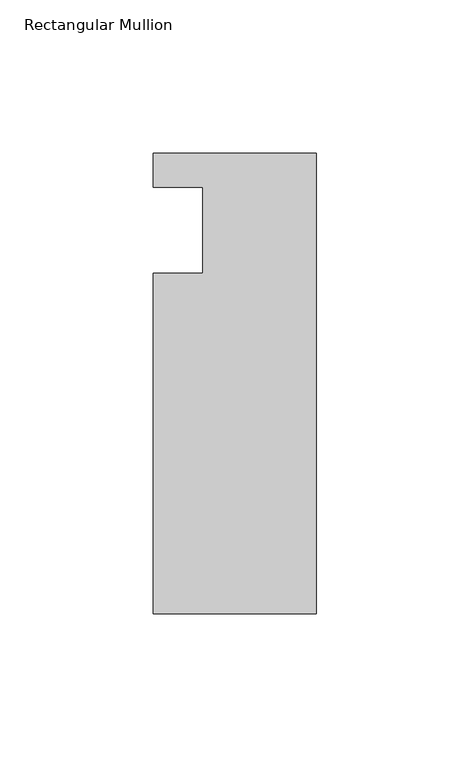
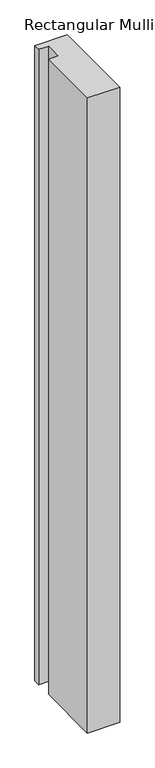
"""IFC4 building model written with IfcOpenShell, lengths in millimetres: member geometry, Rectangular Mullion."""

from ifc_helpers import new_model, si_unit, frame, origin, place, context, project, spatial, polyline, outline, extrude, source, transform, mapped, element, save


def rectangular_mullion_b0bdde23(model_context):
    return source(origin(), model_context, "Body", "SweptSolid", [
        extrude(outline(polyline([(-37.0, -14.0), (-37.0, 14.0), (-53.0, 14.0), (-53.0, 25.0), (0.0, 25.0), (0.0, -125.0), (-53.0, -125.0), (-53.0, -14.0), (-37.0, -14.0)])), frame((0.0, 0.0, -1108.0099627), z_axis=(0.0, 0.0, 1.0), x_axis=(1.0, 0.0, 0.0)), (0.0, 0.0, 1.0), 1108.0099627),
    ])


if __name__ == "__main__":
    model = new_model("IFC4")
    model_context = context("Model", 3, world=origin())
    ifc_project = project(units=[si_unit("LENGTHUNIT", "METRE", prefix="MILLI")], contexts=[model_context])
    site = spatial("IfcSite", under=ifc_project)
    building = spatial("IfcBuilding", under=site)
    placement = place(None, origin())
    rectangular_mullion_shape = rectangular_mullion_b0bdde23(model_context)
    element("IfcMember", 1, ObjectType="Rectangular Mullion", at=placement, inside=building, context=model_context, shape_type="MappedRepresentation", body=[
        mapped(rectangular_mullion_shape, transform((0.0, 0.0, 0.0), x_axis=(1.0, 0.0, 0.0), y_axis=(0.0, 1.0, 0.0), z_axis=(0.0, 0.0, 1.0))),
    ])
    save(model, "model.ifc")
